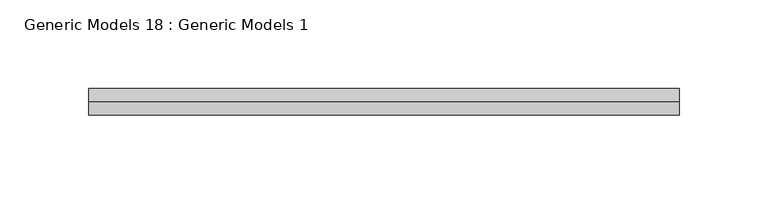
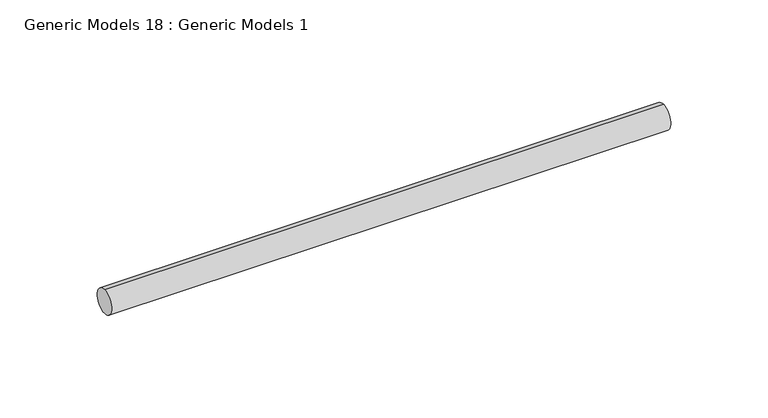
"""IFC4 building model written with IfcOpenShell, lengths in millimetres: proxy geometry, Generic Models 18 : Generic Models 1."""

from ifc_helpers import new_model, si_unit, point, frame, frame_2d, origin, place, context, project, spatial, circle_curve, trimmed, segment, composite_curve, outline, extrude, source, transform, mapped, element, save


def generic_models_18_generic_models_1_9fbd2ff1(model_context):
    return source(origin(), model_context, "Body", "SweptSolid", [
        extrude(outline(composite_curve([segment(trimmed(circle_curve(frame_2d((400.3057469, -814.107223)), 7.5), [point((400.3057469, -821.607223))], [point((400.3057469, -806.607223))], False, "CARTESIAN"), True, "CONTINUOUS"), segment(trimmed(circle_curve(frame_2d((400.3057469, -814.107223)), 7.5), [point((400.3057469, -806.607223))], [point((400.3057469, -821.607223))], False, "CARTESIAN"), True, "CONTINUOUS")], self_intersect=False)), frame((5173.4864094, 0.0, 0.0), z_axis=(1.0, 0.0, 0.0), x_axis=(0.0, 1.0, 0.0)), (0.0, 0.0, 1.0), 332.0),
    ])


if __name__ == "__main__":
    model = new_model("IFC4")
    model_context = context("Model", 3, world=origin())
    ifc_project = project(units=[si_unit("LENGTHUNIT", "METRE", prefix="MILLI")], contexts=[model_context])
    site = spatial("IfcSite", under=ifc_project)
    building = spatial("IfcBuilding", under=site)
    placement = place(None, origin())
    generic_models_18_generic_models_1_shape = generic_models_18_generic_models_1_9fbd2ff1(model_context)
    element("IfcBuildingElementProxy", 1, Name="Generic Models 18 : Generic Models 1", ObjectType="Generic Models 18 : Generic Models 1", at=placement, inside=building, context=model_context, shape_type="MappedRepresentation", body=[
        mapped(generic_models_18_generic_models_1_shape, transform((0.0, 0.0, 0.0), x_axis=(1.0, 0.0, 0.0), y_axis=(0.0, 1.0, 0.0), z_axis=(0.0, 0.0, 1.0))),
    ])
    save(model, "model.ifc")
